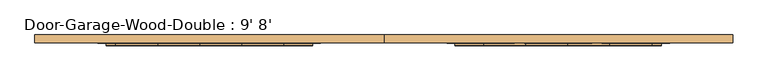
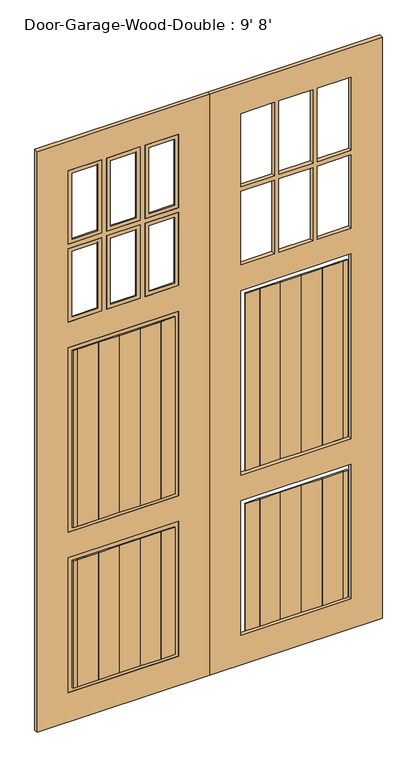
"""IFC4 building model written with IfcOpenShell, lengths in millimetres: door geometry, Door-Garage-Wood-Double : 9' 8'."""

from ifc_helpers import new_model, si_unit, frame, origin, place, context, project, spatial, polyline, ellipse_curve, outline, extrude, source, transform, mapped, element, save
from ifc_brep_helpers import plane_surface, cylinder_surface, advanced_brep


def door_garage_wood_double_9_8_e541127f(model_context):
    return source(origin(), model_context, "Body", "SolidModel", [
        extrude(outline(polyline([(2438.4, -685.8), (0.0, -685.8), (0.0, 0.0), (2438.4, 0.0), (2438.4, -685.8)]), holes=[polyline([(123.825, -123.825), (123.825, -561.975), (688.975, -561.975), (688.975, -123.825), (123.825, -123.825)]), polyline([(796.925, -123.825), (796.925, -561.975), (1571.625, -561.975), (1571.625, -123.825), (796.925, -123.825)]), polyline([(1987.55, -257.175), (1987.55, -123.825), (1679.575, -123.825), (1679.575, -257.175), (1987.55, -257.175)]), polyline([(2006.6, -257.175), (2314.575, -257.175), (2314.575, -123.825), (2006.6, -123.825), (2006.6, -257.175)]), polyline([(2006.6, -409.575), (2314.575, -409.575), (2314.575, -276.225), (2006.6, -276.225), (2006.6, -409.575)]), polyline([(1987.55, -409.575), (1987.55, -276.225), (1679.575, -276.225), (1679.575, -409.575), (1987.55, -409.575)]), polyline([(1987.55, -561.975), (1987.55, -428.625), (1679.575, -428.625), (1679.575, -561.975), (1987.55, -561.975)]), polyline([(2006.6, -561.975), (2314.575, -561.975), (2314.575, -428.625), (2006.6, -428.625), (2006.6, -561.975)])]), frame((0.0, -135.73125, 0.0), z_axis=(0.0, 1.0, 0.0), x_axis=(0.0, 0.0, 1.0)), (0.0, 0.0, 1.0), 15.875),
        extrude(outline(polyline([(-527.05, -135.73125), (-444.5, -135.73125), (-444.5, -140.49375), (-527.05, -140.49375), (-527.05, -135.73125)])), frame((0.0, 0.0, 812.8), z_axis=(0.0, 0.0, 1.0), x_axis=(1.0, 0.0, 0.0)), (0.0, 0.0, 1.0), 742.95),
        extrude(outline(polyline([(-527.05, -135.73125), (-444.5, -135.73125), (-444.5, -140.49375), (-527.05, -140.49375), (-527.05, -135.73125)])), frame((0.0, 0.0, 139.7), z_axis=(0.0, 0.0, 1.0), x_axis=(1.0, 0.0, 0.0)), (0.0, 0.0, 1.0), 533.4),
        extrude(outline(polyline([(-444.5, -135.73125), (-361.95, -135.73125), (-361.95, -140.49375), (-444.5, -140.49375), (-444.5, -135.73125)])), frame((0.0, 0.0, 812.8), z_axis=(0.0, 0.0, 1.0), x_axis=(1.0, 0.0, 0.0)), (0.0, 0.0, 1.0), 742.95),
        extrude(outline(polyline([(-444.5, -135.73125), (-361.95, -135.73125), (-361.95, -140.49375), (-444.5, -140.49375), (-444.5, -135.73125)])), frame((0.0, 0.0, 139.7), z_axis=(0.0, 0.0, 1.0), x_axis=(1.0, 0.0, 0.0)), (0.0, 0.0, 1.0), 533.4),
        extrude(outline(polyline([(-361.95, -135.73125), (-279.4, -135.73125), (-279.4, -140.49375), (-361.95, -140.49375), (-361.95, -135.73125)])), frame((0.0, 0.0, 812.8), z_axis=(0.0, 0.0, 1.0), x_axis=(1.0, 0.0, 0.0)), (0.0, 0.0, 1.0), 742.95),
        extrude(outline(polyline([(-361.95, -135.73125), (-279.4, -135.73125), (-279.4, -140.49375), (-361.95, -140.49375), (-361.95, -135.73125)])), frame((0.0, 0.0, 139.7), z_axis=(0.0, 0.0, 1.0), x_axis=(1.0, 0.0, 0.0)), (0.0, 0.0, 1.0), 533.4),
        extrude(outline(polyline([(-279.4, -135.73125), (-196.85, -135.73125), (-196.85, -140.49375), (-279.4, -140.49375), (-279.4, -135.73125)])), frame((0.0, 0.0, 812.8), z_axis=(0.0, 0.0, 1.0), x_axis=(1.0, 0.0, 0.0)), (0.0, 0.0, 1.0), 742.95),
        extrude(outline(polyline([(-279.4, -135.73125), (-196.85, -135.73125), (-196.85, -140.49375), (-279.4, -140.49375), (-279.4, -135.73125)])), frame((0.0, 0.0, 139.7), z_axis=(0.0, 0.0, 1.0), x_axis=(1.0, 0.0, 0.0)), (0.0, 0.0, 1.0), 533.4),
        extrude(outline(polyline([(-546.1, -135.73125), (-488.95, -135.73125), (-488.95, -140.49375), (-546.1, -140.49375), (-546.1, -135.73125)])), frame((0.0, 0.0, 812.8), z_axis=(0.0, 0.0, 1.0), x_axis=(1.0, 0.0, 0.0)), (0.0, 0.0, 1.0), 742.95),
        extrude(outline(polyline([(-546.1, -135.73125), (-488.95, -135.73125), (-488.95, -140.49375), (-546.1, -140.49375), (-546.1, -135.73125)])), frame((0.0, 0.0, 139.7), z_axis=(0.0, 0.0, 1.0), x_axis=(1.0, 0.0, 0.0)), (0.0, 0.0, 1.0), 533.4),
        extrude(outline(polyline([(-196.85, -135.73125), (-139.7, -135.73125), (-139.7, -140.49375), (-196.85, -140.49375), (-196.85, -135.73125)])), frame((0.0, 0.0, 812.8), z_axis=(0.0, 0.0, 1.0), x_axis=(1.0, 0.0, 0.0)), (0.0, 0.0, 1.0), 742.95),
        extrude(outline(polyline([(-196.85, -135.73125), (-139.7, -135.73125), (-139.7, -140.49375), (-196.85, -140.49375), (-196.85, -135.73125)])), frame((0.0, 0.0, 139.7), z_axis=(0.0, 0.0, 1.0), x_axis=(1.0, 0.0, 0.0)), (0.0, 0.0, 1.0), 533.4),
        advanced_brep(
        [(-561.975, -135.73125, 2314.575), (-561.975, -119.85625, 2314.575), (-561.975, -119.85625, 2006.6), (-561.975, -135.73125, 2006.6), (-558.8, -123.03125, 2311.4), (-546.1, -135.73125, 2298.7), (-546.1, -135.73125, 2022.475), (-558.8, -123.03125, 2009.775), (-558.8, -119.85625, 2009.775), (-558.8, -119.85625, 2311.4), (-428.625, -119.85625, 2006.6), (-428.625, -135.73125, 2006.6), (-444.5, -135.73125, 2022.475), (-431.8, -123.03125, 2009.775), (-431.8, -119.85625, 2009.775), (-428.625, -119.85625, 2314.575), (-428.625, -135.73125, 2314.575), (-444.5, -135.73125, 2298.7), (-431.8, -123.03125, 2311.4), (-431.8, -119.85625, 2311.4)],
        [
            (0, 1),
            (1, 2),
            (2, 3),
            (3, 0),
            (4, 5, ellipse_curve(frame((-558.8, -135.73125, 2311.4), z_axis=(-0.7071067811865475, 0.0, -0.7071067811865475), x_axis=(-0.7071067811865474, 0.0, 0.7071067811865476)), 17.9605122, 12.7)),
            (5, 6),
            (6, 7, ellipse_curve(frame((-558.8, -135.73125, 2009.775), z_axis=(-0.7071067811865475, 0.0, 0.7071067811865475), x_axis=(0.7071067811865474, 0.0, 0.7071067811865476)), 17.9605122, 12.7)),
            (7, 4),
            (7, 8),
            (8, 9),
            (9, 4),
            (2, 10),
            (10, 11),
            (11, 3),
            (6, 12),
            (12, 13, ellipse_curve(frame((-431.8, -135.73125, 2009.775), z_axis=(-0.7071067811865475, 0.0, -0.7071067811865475), x_axis=(-0.7071067811865476, 0.0, 0.7071067811865474)), 17.9605122, 12.7)),
            (13, 7),
            (13, 14),
            (14, 8),
            (10, 15),
            (15, 16),
            (16, 11),
            (12, 17),
            (17, 18, ellipse_curve(frame((-431.8, -135.73125, 2311.4), z_axis=(0.7071067811865475, 0.0, -0.7071067811865475), x_axis=(-0.7071067811865474, 0.0, -0.7071067811865476)), 17.9605122, 12.7)),
            (18, 13),
            (18, 19),
            (19, 14),
            (0, 16),
            (15, 1),
            (5, 17),
            (4, 18),
            (9, 19),
        ],
        [
            plane_surface(frame((-561.975, -119.85625, 2314.575), z_axis=(-1.0, 0.0, 0.0), x_axis=(0.0, 0.0, -1.0))),
            cylinder_surface(frame((-558.8, -135.73125, 2314.575), z_axis=(0.0, 0.0, 1.0), x_axis=(-1.0, 0.0, 0.0)), 12.7),
            plane_surface(frame((-558.8, -123.03125, 2311.4), z_axis=(1.0, 0.0, 0.0), x_axis=(0.0, 0.0, -1.0))),
            plane_surface(frame((-561.975, -119.85625, 2006.6), z_axis=(0.0, 0.0, -1.0), x_axis=(1.0, 0.0, 0.0))),
            cylinder_surface(frame((-561.975, -135.73125, 2009.775), z_axis=(-1.0, 0.0, 0.0), x_axis=(0.0, 0.0, -1.0)), 12.7),
            plane_surface(frame((-558.8, -123.03125, 2009.775), z_axis=(0.0, 0.0, 1.0), x_axis=(1.0, 0.0, 0.0))),
            plane_surface(frame((-428.625, -119.85625, 2006.6), z_axis=(1.0, 0.0, 0.0), x_axis=(0.0, 0.0, 1.0))),
            cylinder_surface(frame((-431.8, -135.73125, 2006.6), z_axis=(0.0, 0.0, -1.0), x_axis=(1.0, 0.0, 0.0)), 12.7),
            plane_surface(frame((-431.8, -123.03125, 2009.775), z_axis=(-1.0, 0.0, 0.0), x_axis=(0.0, 0.0, 1.0))),
            plane_surface(frame((-428.625, -119.85625, 2314.575), z_axis=(0.0, 0.0, 1.0), x_axis=(-1.0, 0.0, 0.0))),
            plane_surface(frame((-428.625, -135.73125, 2314.575), z_axis=(0.0, -1.0, 0.0), x_axis=(-1.0, 0.0, 0.0))),
            cylinder_surface(frame((-428.625, -135.73125, 2311.4), z_axis=(1.0, 0.0, 0.0), x_axis=(0.0, 0.0, 1.0)), 12.7),
            plane_surface(frame((-431.8, -123.03125, 2311.4), z_axis=(0.0, 0.0, -1.0), x_axis=(-1.0, 0.0, 0.0))),
            plane_surface(frame((-431.8, -119.85625, 2311.4), z_axis=(0.0, 1.0, 0.0), x_axis=(-1.0, 0.0, 0.0))),
        ],
        [
            (0, [[1, 2, 3, 4]]),
            (1, [[5, 6, 7, 8]]),
            (2, [[-8, 9, 10, 11]]),
            (3, [[-3, 12, 13, 14]]),
            (4, [[-7, 15, 16, 17]]),
            (5, [[-9, -17, 18, 19]]),
            (6, [[-13, 20, 21, 22]]),
            (7, [[-16, 23, 24, 25]]),
            (8, [[-18, -25, 26, 27]]),
            (9, [[-1, 28, -21, 29]]),
            (10, [[-4, -14, -22, -28], [-6, 30, -23, -15]]),
            (11, [[-5, 31, -24, -30]]),
            (12, [[-11, 32, -26, -31]]),
            (13, [[-2, -29, -20, -12], [-10, -19, -27, -32]]),
        ],
    ),
        advanced_brep(
        [(-409.575, -135.73125, 1987.55), (-409.575, -119.85625, 1987.55), (-409.575, -119.85625, 1679.575), (-409.575, -135.73125, 1679.575), (-406.4, -123.03125, 1984.375), (-393.7, -135.73125, 1971.675), (-393.7, -135.73125, 1695.45), (-406.4, -123.03125, 1682.75), (-406.4, -119.85625, 1682.75), (-406.4, -119.85625, 1984.375), (-276.225, -119.85625, 1679.575), (-276.225, -135.73125, 1679.575), (-292.1, -135.73125, 1695.45), (-279.4, -123.03125, 1682.75), (-279.4, -119.85625, 1682.75), (-276.225, -119.85625, 1987.55), (-276.225, -135.73125, 1987.55), (-292.1, -135.73125, 1971.675), (-279.4, -123.03125, 1984.375), (-279.4, -119.85625, 1984.375)],
        [
            (0, 1),
            (1, 2),
            (2, 3),
            (3, 0),
            (4, 5, ellipse_curve(frame((-406.4, -135.73125, 1984.375), z_axis=(-0.7071067811865475, 0.0, -0.7071067811865475), x_axis=(-0.7071067811865474, 0.0, 0.7071067811865476)), 17.9605122, 12.7)),
            (5, 6),
            (6, 7, ellipse_curve(frame((-406.4, -135.73125, 1682.75), z_axis=(-0.7071067811865475, 0.0, 0.7071067811865475), x_axis=(0.7071067811865474, 0.0, 0.7071067811865476)), 17.9605122, 12.7)),
            (7, 4),
            (7, 8),
            (8, 9),
            (9, 4),
            (2, 10),
            (10, 11),
            (11, 3),
            (6, 12),
            (12, 13, ellipse_curve(frame((-279.4, -135.73125, 1682.75), z_axis=(-0.7071067811865475, 0.0, -0.7071067811865475), x_axis=(-0.7071067811865476, 0.0, 0.7071067811865474)), 17.9605122, 12.7)),
            (13, 7),
            (13, 14),
            (14, 8),
            (10, 15),
            (15, 16),
            (16, 11),
            (12, 17),
            (17, 18, ellipse_curve(frame((-279.4, -135.73125, 1984.375), z_axis=(0.7071067811865475, 0.0, -0.7071067811865475), x_axis=(-0.7071067811865474, 0.0, -0.7071067811865476)), 17.9605122, 12.7)),
            (18, 13),
            (18, 19),
            (19, 14),
            (0, 16),
            (15, 1),
            (5, 17),
            (4, 18),
            (9, 19),
        ],
        [
            plane_surface(frame((-409.575, -119.85625, 1987.55), z_axis=(-1.0, 0.0, 0.0), x_axis=(0.0, 0.0, -1.0))),
            cylinder_surface(frame((-406.4, -135.73125, 1987.55), z_axis=(0.0, 0.0, 1.0), x_axis=(-1.0, 0.0, 0.0)), 12.7),
            plane_surface(frame((-406.4, -123.03125, 1984.375), z_axis=(1.0, 0.0, 0.0), x_axis=(0.0, 0.0, -1.0))),
            plane_surface(frame((-409.575, -119.85625, 1679.575), z_axis=(0.0, 0.0, -1.0), x_axis=(1.0, 0.0, 0.0))),
            cylinder_surface(frame((-409.575, -135.73125, 1682.75), z_axis=(-1.0, 0.0, 0.0), x_axis=(0.0, 0.0, -1.0)), 12.7),
            plane_surface(frame((-406.4, -123.03125, 1682.75), z_axis=(0.0, 0.0, 1.0), x_axis=(1.0, 0.0, 0.0))),
            plane_surface(frame((-276.225, -119.85625, 1679.575), z_axis=(1.0, 0.0, 0.0), x_axis=(0.0, 0.0, 1.0))),
            cylinder_surface(frame((-279.4, -135.73125, 1679.575), z_axis=(0.0, 0.0, -1.0), x_axis=(1.0, 0.0, 0.0)), 12.7),
            plane_surface(frame((-279.4, -123.03125, 1682.75), z_axis=(-1.0, 0.0, 0.0), x_axis=(0.0, 0.0, 1.0))),
            plane_surface(frame((-276.225, -119.85625, 1987.55), z_axis=(0.0, 0.0, 1.0), x_axis=(-1.0, 0.0, 0.0))),
            plane_surface(frame((-276.225, -135.73125, 1987.55), z_axis=(0.0, -1.0, 0.0), x_axis=(-1.0, 0.0, 0.0))),
            cylinder_surface(frame((-276.225, -135.73125, 1984.375), z_axis=(1.0, 0.0, 0.0), x_axis=(0.0, 0.0, 1.0)), 12.7),
            plane_surface(frame((-279.4, -123.03125, 1984.375), z_axis=(0.0, 0.0, -1.0), x_axis=(-1.0, 0.0, 0.0))),
            plane_surface(frame((-279.4, -119.85625, 1984.375), z_axis=(0.0, 1.0, 0.0), x_axis=(-1.0, 0.0, 0.0))),
        ],
        [
            (0, [[1, 2, 3, 4]]),
            (1, [[5, 6, 7, 8]]),
            (2, [[-8, 9, 10, 11]]),
            (3, [[-3, 12, 13, 14]]),
            (4, [[-7, 15, 16, 17]]),
            (5, [[-9, -17, 18, 19]]),
            (6, [[-13, 20, 21, 22]]),
            (7, [[-16, 23, 24, 25]]),
            (8, [[-18, -25, 26, 27]]),
            (9, [[-1, 28, -21, 29]]),
            (10, [[-4, -14, -22, -28], [-6, 30, -23, -15]]),
            (11, [[-5, 31, -24, -30]]),
            (12, [[-11, 32, -26, -31]]),
            (13, [[-2, -29, -20, -12], [-10, -19, -27, -32]]),
        ],
    ),
        advanced_brep(
        [(-561.975, -135.73125, 1987.55), (-561.975, -119.85625, 1987.55), (-561.975, -119.85625, 1679.575), (-561.975, -135.73125, 1679.575), (-558.8, -123.03125, 1984.375), (-546.1, -135.73125, 1971.675), (-546.1, -135.73125, 1695.45), (-558.8, -123.03125, 1682.75), (-558.8, -119.85625, 1682.75), (-558.8, -119.85625, 1984.375), (-428.625, -119.85625, 1679.575), (-428.625, -135.73125, 1679.575), (-444.5, -135.73125, 1695.45), (-431.8, -123.03125, 1682.75), (-431.8, -119.85625, 1682.75), (-428.625, -119.85625, 1987.55), (-428.625, -135.73125, 1987.55), (-444.5, -135.73125, 1971.675), (-431.8, -123.03125, 1984.375), (-431.8, -119.85625, 1984.375)],
        [
            (0, 1),
            (1, 2),
            (2, 3),
            (3, 0),
            (4, 5, ellipse_curve(frame((-558.8, -135.73125, 1984.375), z_axis=(-0.7071067811865475, 0.0, -0.7071067811865475), x_axis=(-0.7071067811865474, 0.0, 0.7071067811865476)), 17.9605122, 12.7)),
            (5, 6),
            (6, 7, ellipse_curve(frame((-558.8, -135.73125, 1682.75), z_axis=(-0.7071067811865475, 0.0, 0.7071067811865475), x_axis=(0.7071067811865474, 0.0, 0.7071067811865476)), 17.9605122, 12.7)),
            (7, 4),
            (7, 8),
            (8, 9),
            (9, 4),
            (2, 10),
            (10, 11),
            (11, 3),
            (6, 12),
            (12, 13, ellipse_curve(frame((-431.8, -135.73125, 1682.75), z_axis=(-0.7071067811865475, 0.0, -0.7071067811865475), x_axis=(-0.7071067811865476, 0.0, 0.7071067811865474)), 17.9605122, 12.7)),
            (13, 7),
            (13, 14),
            (14, 8),
            (10, 15),
            (15, 16),
            (16, 11),
            (12, 17),
            (17, 18, ellipse_curve(frame((-431.8, -135.73125, 1984.375), z_axis=(0.7071067811865475, 0.0, -0.7071067811865475), x_axis=(-0.7071067811865474, 0.0, -0.7071067811865476)), 17.9605122, 12.7)),
            (18, 13),
            (18, 19),
            (19, 14),
            (0, 16),
            (15, 1),
            (5, 17),
            (4, 18),
            (9, 19),
        ],
        [
            plane_surface(frame((-561.975, -119.85625, 1987.55), z_axis=(-1.0, 0.0, 0.0), x_axis=(0.0, 0.0, -1.0))),
            cylinder_surface(frame((-558.8, -135.73125, 1987.55), z_axis=(0.0, 0.0, 1.0), x_axis=(-1.0, 0.0, 0.0)), 12.7),
            plane_surface(frame((-558.8, -123.03125, 1984.375), z_axis=(1.0, 0.0, 0.0), x_axis=(0.0, 0.0, -1.0))),
            plane_surface(frame((-561.975, -119.85625, 1679.575), z_axis=(0.0, 0.0, -1.0), x_axis=(1.0, 0.0, 0.0))),
            cylinder_surface(frame((-561.975, -135.73125, 1682.75), z_axis=(-1.0, 0.0, 0.0), x_axis=(0.0, 0.0, -1.0)), 12.7),
            plane_surface(frame((-558.8, -123.03125, 1682.75), z_axis=(0.0, 0.0, 1.0), x_axis=(1.0, 0.0, 0.0))),
            plane_surface(frame((-428.625, -119.85625, 1679.575), z_axis=(1.0, 0.0, 0.0), x_axis=(0.0, 0.0, 1.0))),
            cylinder_surface(frame((-431.8, -135.73125, 1679.575), z_axis=(0.0, 0.0, -1.0), x_axis=(1.0, 0.0, 0.0)), 12.7),
            plane_surface(frame((-431.8, -123.03125, 1682.75), z_axis=(-1.0, 0.0, 0.0), x_axis=(0.0, 0.0, 1.0))),
            plane_surface(frame((-428.625, -119.85625, 1987.55), z_axis=(0.0, 0.0, 1.0), x_axis=(-1.0, 0.0, 0.0))),
            plane_surface(frame((-428.625, -135.73125, 1987.55), z_axis=(0.0, -1.0, 0.0), x_axis=(-1.0, 0.0, 0.0))),
            cylinder_surface(frame((-428.625, -135.73125, 1984.375), z_axis=(1.0, 0.0, 0.0), x_axis=(0.0, 0.0, 1.0)), 12.7),
            plane_surface(frame((-431.8, -123.03125, 1984.375), z_axis=(0.0, 0.0, -1.0), x_axis=(-1.0, 0.0, 0.0))),
            plane_surface(frame((-431.8, -119.85625, 1984.375), z_axis=(0.0, 1.0, 0.0), x_axis=(-1.0, 0.0, 0.0))),
        ],
        [
            (0, [[1, 2, 3, 4]]),
            (1, [[5, 6, 7, 8]]),
            (2, [[-8, 9, 10, 11]]),
            (3, [[-3, 12, 13, 14]]),
            (4, [[-7, 15, 16, 17]]),
            (5, [[-9, -17, 18, 19]]),
            (6, [[-13, 20, 21, 22]]),
            (7, [[-16, 23, 24, 25]]),
            (8, [[-18, -25, 26, 27]]),
            (9, [[-1, 28, -21, 29]]),
            (10, [[-4, -14, -22, -28], [-6, 30, -23, -15]]),
            (11, [[-5, 31, -24, -30]]),
            (12, [[-11, 32, -26, -31]]),
            (13, [[-2, -29, -20, -12], [-10, -19, -27, -32]]),
        ],
    ),
        advanced_brep(
        [(-409.575, -135.73125, 2314.575), (-409.575, -119.85625, 2314.575), (-409.575, -119.85625, 2006.6), (-409.575, -135.73125, 2006.6), (-406.4, -123.03125, 2311.4), (-393.7, -135.73125, 2298.7), (-393.7, -135.73125, 2022.475), (-406.4, -123.03125, 2009.775), (-406.4, -119.85625, 2311.4), (-406.4, -119.85625, 2009.775), (-276.225, -119.85625, 2006.6), (-276.225, -135.73125, 2006.6), (-292.1, -135.73125, 2022.475), (-279.4, -123.03125, 2009.775), (-279.4, -119.85625, 2009.775), (-276.225, -119.85625, 2314.575), (-276.225, -135.73125, 2314.575), (-292.1, -135.73125, 2298.7), (-279.4, -123.03125, 2311.4), (-279.4, -119.85625, 2311.4)],
        [
            (0, 1),
            (1, 2),
            (2, 3),
            (3, 0),
            (4, 5, ellipse_curve(frame((-406.4, -135.73125, 2311.4), z_axis=(-0.7071067811865475, 0.0, -0.7071067811865475), x_axis=(-0.7071067811865474, 0.0, 0.7071067811865476)), 17.9605122, 12.7)),
            (5, 6),
            (6, 7, ellipse_curve(frame((-406.4, -135.73125, 2009.775), z_axis=(-0.7071067811865475, 0.0, 0.7071067811865475), x_axis=(0.7071067811865474, 0.0, 0.7071067811865476)), 17.9605122, 12.7)),
            (7, 4),
            (8, 4),
            (7, 9),
            (9, 8),
            (2, 10),
            (10, 11),
            (11, 3),
            (6, 12),
            (12, 13, ellipse_curve(frame((-279.4, -135.73125, 2009.775), z_axis=(-0.7071067811865475, 0.0, -0.7071067811865475), x_axis=(-0.7071067811865476, 0.0, 0.7071067811865474)), 17.9605122, 12.7)),
            (13, 7),
            (13, 14),
            (14, 9),
            (10, 15),
            (15, 16),
            (16, 11),
            (12, 17),
            (17, 18, ellipse_curve(frame((-279.4, -135.73125, 2311.4), z_axis=(0.7071067811865475, 0.0, -0.7071067811865475), x_axis=(-0.7071067811865474, 0.0, -0.7071067811865476)), 17.9605122, 12.7)),
            (18, 13),
            (18, 19),
            (19, 14),
            (15, 1),
            (0, 16),
            (5, 17),
            (4, 18),
            (8, 19),
        ],
        [
            plane_surface(frame((-409.575, -119.85625, 2314.575), z_axis=(-1.0, 0.0, 0.0), x_axis=(0.0, 0.0, -1.0))),
            cylinder_surface(frame((-406.4, -135.73125, 2314.575), z_axis=(0.0, 0.0, 1.0), x_axis=(-1.0, 0.0, 0.0)), 12.7),
            plane_surface(frame((-406.4, -123.03125, 2311.4), z_axis=(1.0, 0.0, 0.0), x_axis=(0.0, 0.0, -1.0))),
            plane_surface(frame((-409.575, -119.85625, 2006.6), z_axis=(0.0, 0.0, -1.0), x_axis=(1.0, 0.0, 0.0))),
            cylinder_surface(frame((-409.575, -135.73125, 2009.775), z_axis=(-1.0, 0.0, 0.0), x_axis=(0.0, 0.0, -1.0)), 12.7),
            plane_surface(frame((-406.4, -123.03125, 2009.775), z_axis=(0.0, 0.0, 1.0), x_axis=(1.0, 0.0, 0.0))),
            plane_surface(frame((-276.225, -119.85625, 2006.6), z_axis=(1.0, 0.0, 0.0), x_axis=(0.0, 0.0, 1.0))),
            cylinder_surface(frame((-279.4, -135.73125, 2006.6), z_axis=(0.0, 0.0, -1.0), x_axis=(1.0, 0.0, 0.0)), 12.7),
            plane_surface(frame((-279.4, -123.03125, 2009.775), z_axis=(-1.0, 0.0, 0.0), x_axis=(0.0, 0.0, 1.0))),
            plane_surface(frame((-276.225, -119.85625, 2314.575), z_axis=(0.0, 0.0, 1.0), x_axis=(-1.0, 0.0, 0.0))),
            plane_surface(frame((-276.225, -135.73125, 2314.575), z_axis=(0.0, -1.0, 0.0), x_axis=(-1.0, 0.0, 0.0))),
            cylinder_surface(frame((-276.225, -135.73125, 2311.4), z_axis=(1.0, 0.0, 0.0), x_axis=(0.0, 0.0, 1.0)), 12.7),
            plane_surface(frame((-279.4, -123.03125, 2311.4), z_axis=(0.0, 0.0, -1.0), x_axis=(-1.0, 0.0, 0.0))),
            plane_surface(frame((-279.4, -119.85625, 2311.4), z_axis=(0.0, 1.0, 0.0), x_axis=(-1.0, 0.0, 0.0))),
        ],
        [
            (0, [[1, 2, 3, 4]]),
            (1, [[5, 6, 7, 8]]),
            (2, [[9, -8, 10, 11]]),
            (3, [[-3, 12, 13, 14]]),
            (4, [[-7, 15, 16, 17]]),
            (5, [[-10, -17, 18, 19]]),
            (6, [[-13, 20, 21, 22]]),
            (7, [[-16, 23, 24, 25]]),
            (8, [[-18, -25, 26, 27]]),
            (9, [[-21, 28, -1, 29]]),
            (10, [[-14, -22, -29, -4], [30, -23, -15, -6]]),
            (11, [[-24, -30, -5, 31]]),
            (12, [[-26, -31, -9, 32]]),
            (13, [[-28, -20, -12, -2], [-19, -27, -32, -11]]),
        ],
    ),
        advanced_brep(
        [(-257.175, -135.73125, 2314.575), (-257.175, -119.85625, 2314.575), (-257.175, -119.85625, 2006.6), (-257.175, -135.73125, 2006.6), (-254.0, -123.03125, 2311.4), (-241.3, -135.73125, 2298.7), (-241.3, -135.73125, 2022.475), (-254.0, -123.03125, 2009.775), (-254.0, -119.85625, 2311.4), (-254.0, -119.85625, 2009.775), (-123.825, -119.85625, 2006.6), (-123.825, -135.73125, 2006.6), (-139.7, -135.73125, 2022.475), (-127.0, -123.03125, 2009.775), (-127.0, -119.85625, 2009.775), (-123.825, -119.85625, 2314.575), (-123.825, -135.73125, 2314.575), (-139.7, -135.73125, 2298.7), (-127.0, -123.03125, 2311.4), (-127.0, -119.85625, 2311.4)],
        [
            (0, 1),
            (1, 2),
            (2, 3),
            (3, 0),
            (4, 5, ellipse_curve(frame((-254.0, -135.73125, 2311.4), z_axis=(-0.7071067811865475, 0.0, -0.7071067811865475), x_axis=(-0.7071067811865474, 0.0, 0.7071067811865476)), 17.9605122, 12.7)),
            (5, 6),
            (6, 7, ellipse_curve(frame((-254.0, -135.73125, 2009.775), z_axis=(-0.7071067811865475, 0.0, 0.7071067811865475), x_axis=(0.7071067811865474, 0.0, 0.7071067811865476)), 17.9605122, 12.7)),
            (7, 4),
            (8, 4),
            (7, 9),
            (9, 8),
            (2, 10),
            (10, 11),
            (11, 3),
            (6, 12),
            (12, 13, ellipse_curve(frame((-127.0, -135.73125, 2009.775), z_axis=(-0.7071067811865475, 0.0, -0.7071067811865475), x_axis=(-0.7071067811865476, 0.0, 0.7071067811865474)), 17.9605122, 12.7)),
            (13, 7),
            (13, 14),
            (14, 9),
            (10, 15),
            (15, 16),
            (16, 11),
            (12, 17),
            (17, 18, ellipse_curve(frame((-127.0, -135.73125, 2311.4), z_axis=(0.7071067811865475, 0.0, -0.7071067811865475), x_axis=(-0.7071067811865474, 0.0, -0.7071067811865476)), 17.9605122, 12.7)),
            (18, 13),
            (18, 19),
            (19, 14),
            (15, 1),
            (0, 16),
            (5, 17),
            (4, 18),
            (8, 19),
        ],
        [
            plane_surface(frame((-257.175, -119.85625, 2314.575), z_axis=(-1.0, 0.0, 0.0), x_axis=(0.0, 0.0, -1.0))),
            cylinder_surface(frame((-254.0, -135.73125, 2314.575), z_axis=(0.0, 0.0, 1.0), x_axis=(-1.0, 0.0, 0.0)), 12.7),
            plane_surface(frame((-254.0, -123.03125, 2311.4), z_axis=(1.0, 0.0, 0.0), x_axis=(0.0, 0.0, -1.0))),
            plane_surface(frame((-257.175, -119.85625, 2006.6), z_axis=(0.0, 0.0, -1.0), x_axis=(1.0, 0.0, 0.0))),
            cylinder_surface(frame((-257.175, -135.73125, 2009.775), z_axis=(-1.0, 0.0, 0.0), x_axis=(0.0, 0.0, -1.0)), 12.7),
            plane_surface(frame((-254.0, -123.03125, 2009.775), z_axis=(0.0, 0.0, 1.0), x_axis=(1.0, 0.0, 0.0))),
            plane_surface(frame((-123.825, -119.85625, 2006.6), z_axis=(1.0, 0.0, 0.0), x_axis=(0.0, 0.0, 1.0))),
            cylinder_surface(frame((-127.0, -135.73125, 2006.6), z_axis=(0.0, 0.0, -1.0), x_axis=(1.0, 0.0, 0.0)), 12.7),
            plane_surface(frame((-127.0, -123.03125, 2009.775), z_axis=(-1.0, 0.0, 0.0), x_axis=(0.0, 0.0, 1.0))),
            plane_surface(frame((-123.825, -119.85625, 2314.575), z_axis=(0.0, 0.0, 1.0), x_axis=(-1.0, 0.0, 0.0))),
            plane_surface(frame((-123.825, -135.73125, 2314.575), z_axis=(0.0, -1.0, 0.0), x_axis=(-1.0, 0.0, 0.0))),
            cylinder_surface(frame((-123.825, -135.73125, 2311.4), z_axis=(1.0, 0.0, 0.0), x_axis=(0.0, 0.0, 1.0)), 12.7),
            plane_surface(frame((-127.0, -123.03125, 2311.4), z_axis=(0.0, 0.0, -1.0), x_axis=(-1.0, 0.0, 0.0))),
            plane_surface(frame((-127.0, -119.85625, 2311.4), z_axis=(0.0, 1.0, 0.0), x_axis=(-1.0, 0.0, 0.0))),
        ],
        [
            (0, [[1, 2, 3, 4]]),
            (1, [[5, 6, 7, 8]]),
            (2, [[9, -8, 10, 11]]),
            (3, [[-3, 12, 13, 14]]),
            (4, [[-7, 15, 16, 17]]),
            (5, [[-10, -17, 18, 19]]),
            (6, [[-13, 20, 21, 22]]),
            (7, [[-16, 23, 24, 25]]),
            (8, [[-18, -25, 26, 27]]),
            (9, [[-21, 28, -1, 29]]),
            (10, [[-14, -22, -29, -4], [30, -23, -15, -6]]),
            (11, [[-24, -30, -5, 31]]),
            (12, [[-26, -31, -9, 32]]),
            (13, [[-28, -20, -12, -2], [-19, -27, -32, -11]]),
        ],
    ),
        advanced_brep(
        [(-561.975, -135.73125, 1571.625), (-561.975, -119.85625, 1571.625), (-561.975, -119.85625, 796.925), (-561.975, -135.73125, 796.925), (-558.8, -123.03125, 1568.45), (-546.1, -135.73125, 1555.75), (-546.1, -135.73125, 812.8), (-558.8, -123.03125, 800.1), (-558.8, -119.85625, 1568.45), (-558.8, -119.85625, 800.1), (-123.825, -119.85625, 796.925), (-123.825, -135.73125, 796.925), (-139.7, -135.73125, 812.8), (-127.0, -123.03125, 800.1), (-127.0, -119.85625, 800.1), (-123.825, -119.85625, 1571.625), (-123.825, -135.73125, 1571.625), (-139.7, -135.73125, 1555.75), (-127.0, -123.03125, 1568.45), (-127.0, -119.85625, 1568.45)],
        [
            (0, 1),
            (1, 2),
            (2, 3),
            (3, 0),
            (4, 5, ellipse_curve(frame((-558.8, -135.73125, 1568.45), z_axis=(-0.7071067811865475, 0.0, -0.7071067811865475), x_axis=(-0.7071067811865474, 0.0, 0.7071067811865476)), 17.9605122, 12.7)),
            (5, 6),
            (6, 7, ellipse_curve(frame((-558.8, -135.73125, 800.1), z_axis=(-0.7071067811865475, 0.0, 0.7071067811865475), x_axis=(0.7071067811865474, 0.0, 0.7071067811865476)), 17.9605122, 12.7)),
            (7, 4),
            (8, 4),
            (7, 9),
            (9, 8),
            (2, 10),
            (10, 11),
            (11, 3),
            (6, 12),
            (12, 13, ellipse_curve(frame((-127.0, -135.73125, 800.1), z_axis=(-0.7071067811865475, 0.0, -0.7071067811865475), x_axis=(-0.7071067811865476, 0.0, 0.7071067811865474)), 17.9605122, 12.7)),
            (13, 7),
            (13, 14),
            (14, 9),
            (10, 15),
            (15, 16),
            (16, 11),
            (12, 17),
            (17, 18, ellipse_curve(frame((-127.0, -135.73125, 1568.45), z_axis=(0.7071067811865475, 0.0, -0.7071067811865475), x_axis=(-0.7071067811865474, 0.0, -0.7071067811865476)), 17.9605122, 12.7)),
            (18, 13),
            (18, 19),
            (19, 14),
            (15, 1),
            (0, 16),
            (5, 17),
            (4, 18),
            (8, 19),
        ],
        [
            plane_surface(frame((-561.975, -119.85625, 1571.625), z_axis=(-1.0, 0.0, 0.0), x_axis=(0.0, 0.0, -1.0))),
            cylinder_surface(frame((-558.8, -135.73125, 1571.625), z_axis=(0.0, 0.0, 1.0), x_axis=(-1.0, 0.0, 0.0)), 12.7),
            plane_surface(frame((-558.8, -123.03125, 1568.45), z_axis=(1.0, 0.0, 0.0), x_axis=(0.0, 0.0, -1.0))),
            plane_surface(frame((-561.975, -119.85625, 796.925), z_axis=(0.0, 0.0, -1.0), x_axis=(1.0, 0.0, 0.0))),
            cylinder_surface(frame((-561.975, -135.73125, 800.1), z_axis=(-1.0, 0.0, 0.0), x_axis=(0.0, 0.0, -1.0)), 12.7),
            plane_surface(frame((-558.8, -123.03125, 800.1), z_axis=(0.0, 0.0, 1.0), x_axis=(1.0, 0.0, 0.0))),
            plane_surface(frame((-123.825, -119.85625, 796.925), z_axis=(1.0, 0.0, 0.0), x_axis=(0.0, 0.0, 1.0))),
            cylinder_surface(frame((-127.0, -135.73125, 796.925), z_axis=(0.0, 0.0, -1.0), x_axis=(1.0, 0.0, 0.0)), 12.7),
            plane_surface(frame((-127.0, -123.03125, 800.1), z_axis=(-1.0, 0.0, 0.0), x_axis=(0.0, 0.0, 1.0))),
            plane_surface(frame((-123.825, -119.85625, 1571.625), z_axis=(0.0, 0.0, 1.0), x_axis=(-1.0, 0.0, 0.0))),
            plane_surface(frame((-123.825, -135.73125, 1571.625), z_axis=(0.0, -1.0, 0.0), x_axis=(-1.0, 0.0, 0.0))),
            cylinder_surface(frame((-123.825, -135.73125, 1568.45), z_axis=(1.0, 0.0, 0.0), x_axis=(0.0, 0.0, 1.0)), 12.7),
            plane_surface(frame((-127.0, -123.03125, 1568.45), z_axis=(0.0, 0.0, -1.0), x_axis=(-1.0, 0.0, 0.0))),
            plane_surface(frame((-127.0, -119.85625, 1568.45), z_axis=(0.0, 1.0, 0.0), x_axis=(-1.0, 0.0, 0.0))),
        ],
        [
            (0, [[1, 2, 3, 4]]),
            (1, [[5, 6, 7, 8]]),
            (2, [[9, -8, 10, 11]]),
            (3, [[-3, 12, 13, 14]]),
            (4, [[-7, 15, 16, 17]]),
            (5, [[-10, -17, 18, 19]]),
            (6, [[-13, 20, 21, 22]]),
            (7, [[-16, 23, 24, 25]]),
            (8, [[-18, -25, 26, 27]]),
            (9, [[-21, 28, -1, 29]]),
            (10, [[-14, -22, -29, -4], [30, -23, -15, -6]]),
            (11, [[-24, -30, -5, 31]]),
            (12, [[-26, -31, -9, 32]]),
            (13, [[-28, -20, -12, -2], [-19, -27, -32, -11]]),
        ],
    ),
        advanced_brep(
        [(-257.175, -135.73125, 1987.55), (-257.175, -119.85625, 1987.55), (-257.175, -119.85625, 1679.575), (-257.175, -135.73125, 1679.575), (-254.0, -123.03125, 1984.375), (-241.3, -135.73125, 1971.675), (-241.3, -135.73125, 1695.45), (-254.0, -123.03125, 1682.75), (-254.0, -119.85625, 1984.375), (-254.0, -119.85625, 1682.75), (-123.825, -119.85625, 1679.575), (-123.825, -135.73125, 1679.575), (-139.7, -135.73125, 1695.45), (-127.0, -123.03125, 1682.75), (-127.0, -119.85625, 1682.75), (-123.825, -119.85625, 1987.55), (-123.825, -135.73125, 1987.55), (-139.7, -135.73125, 1971.675), (-127.0, -123.03125, 1984.375), (-127.0, -119.85625, 1984.375)],
        [
            (0, 1),
            (1, 2),
            (2, 3),
            (3, 0),
            (4, 5, ellipse_curve(frame((-254.0, -135.73125, 1984.375), z_axis=(-0.7071067811865475, 0.0, -0.7071067811865475), x_axis=(-0.7071067811865474, 0.0, 0.7071067811865476)), 17.9605122, 12.7)),
            (5, 6),
            (6, 7, ellipse_curve(frame((-254.0, -135.73125, 1682.75), z_axis=(-0.7071067811865475, 0.0, 0.7071067811865475), x_axis=(0.7071067811865474, 0.0, 0.7071067811865476)), 17.9605122, 12.7)),
            (7, 4),
            (8, 4),
            (7, 9),
            (9, 8),
            (2, 10),
            (10, 11),
            (11, 3),
            (6, 12),
            (12, 13, ellipse_curve(frame((-127.0, -135.73125, 1682.75), z_axis=(-0.7071067811865475, 0.0, -0.7071067811865475), x_axis=(-0.7071067811865476, 0.0, 0.7071067811865474)), 17.9605122, 12.7)),
            (13, 7),
            (13, 14),
            (14, 9),
            (10, 15),
            (15, 16),
            (16, 11),
            (12, 17),
            (17, 18, ellipse_curve(frame((-127.0, -135.73125, 1984.375), z_axis=(0.7071067811865475, 0.0, -0.7071067811865475), x_axis=(-0.7071067811865474, 0.0, -0.7071067811865476)), 17.9605122, 12.7)),
            (18, 13),
            (18, 19),
            (19, 14),
            (15, 1),
            (0, 16),
            (5, 17),
            (4, 18),
            (8, 19),
        ],
        [
            plane_surface(frame((-257.175, -119.85625, 1987.55), z_axis=(-1.0, 0.0, 0.0), x_axis=(0.0, 0.0, -1.0))),
            cylinder_surface(frame((-254.0, -135.73125, 1987.55), z_axis=(0.0, 0.0, 1.0), x_axis=(-1.0, 0.0, 0.0)), 12.7),
            plane_surface(frame((-254.0, -123.03125, 1984.375), z_axis=(1.0, 0.0, 0.0), x_axis=(0.0, 0.0, -1.0))),
            plane_surface(frame((-257.175, -119.85625, 1679.575), z_axis=(0.0, 0.0, -1.0), x_axis=(1.0, 0.0, 0.0))),
            cylinder_surface(frame((-257.175, -135.73125, 1682.75), z_axis=(-1.0, 0.0, 0.0), x_axis=(0.0, 0.0, -1.0)), 12.7),
            plane_surface(frame((-254.0, -123.03125, 1682.75), z_axis=(0.0, 0.0, 1.0), x_axis=(1.0, 0.0, 0.0))),
            plane_surface(frame((-123.825, -119.85625, 1679.575), z_axis=(1.0, 0.0, 0.0), x_axis=(0.0, 0.0, 1.0))),
            cylinder_surface(frame((-127.0, -135.73125, 1679.575), z_axis=(0.0, 0.0, -1.0), x_axis=(1.0, 0.0, 0.0)), 12.7),
            plane_surface(frame((-127.0, -123.03125, 1682.75), z_axis=(-1.0, 0.0, 0.0), x_axis=(0.0, 0.0, 1.0))),
            plane_surface(frame((-123.825, -119.85625, 1987.55), z_axis=(0.0, 0.0, 1.0), x_axis=(-1.0, 0.0, 0.0))),
            plane_surface(frame((-123.825, -135.73125, 1987.55), z_axis=(0.0, -1.0, 0.0), x_axis=(-1.0, 0.0, 0.0))),
            cylinder_surface(frame((-123.825, -135.73125, 1984.375), z_axis=(1.0, 0.0, 0.0), x_axis=(0.0, 0.0, 1.0)), 12.7),
            plane_surface(frame((-127.0, -123.03125, 1984.375), z_axis=(0.0, 0.0, -1.0), x_axis=(-1.0, 0.0, 0.0))),
            plane_surface(frame((-127.0, -119.85625, 1984.375), z_axis=(0.0, 1.0, 0.0), x_axis=(-1.0, 0.0, 0.0))),
        ],
        [
            (0, [[1, 2, 3, 4]]),
            (1, [[5, 6, 7, 8]]),
            (2, [[9, -8, 10, 11]]),
            (3, [[-3, 12, 13, 14]]),
            (4, [[-7, 15, 16, 17]]),
            (5, [[-10, -17, 18, 19]]),
            (6, [[-13, 20, 21, 22]]),
            (7, [[-16, 23, 24, 25]]),
            (8, [[-18, -25, 26, 27]]),
            (9, [[-21, 28, -1, 29]]),
            (10, [[-14, -22, -29, -4], [30, -23, -15, -6]]),
            (11, [[-24, -30, -5, 31]]),
            (12, [[-26, -31, -9, 32]]),
            (13, [[-28, -20, -12, -2], [-19, -27, -32, -11]]),
        ],
    ),
        advanced_brep(
        [(-561.975, -135.73125, 688.975), (-561.975, -119.85625, 688.975), (-561.975, -119.85625, 123.825), (-561.975, -135.73125, 123.825), (-558.8, -123.03125, 685.8), (-546.1, -135.73125, 673.1), (-546.1, -135.73125, 139.7), (-558.8, -123.03125, 127.0), (-558.8, -119.85625, 685.8), (-558.8, -119.85625, 127.0), (-123.825, -119.85625, 123.825), (-123.825, -135.73125, 123.825), (-139.7, -135.73125, 139.7), (-127.0, -123.03125, 127.0), (-127.0, -119.85625, 127.0), (-123.825, -119.85625, 688.975), (-123.825, -135.73125, 688.975), (-139.7, -135.73125, 673.1), (-127.0, -123.03125, 685.8), (-127.0, -119.85625, 685.8)],
        [
            (0, 1),
            (1, 2),
            (2, 3),
            (3, 0),
            (4, 5, ellipse_curve(frame((-558.8, -135.73125, 685.8), z_axis=(-0.7071067811865475, 0.0, -0.7071067811865475), x_axis=(-0.7071067811865474, 0.0, 0.7071067811865476)), 17.9605122, 12.7)),
            (5, 6),
            (6, 7, ellipse_curve(frame((-558.8, -135.73125, 127.0), z_axis=(-0.7071067811865475, 0.0, 0.7071067811865475), x_axis=(0.7071067811865474, 0.0, 0.7071067811865476)), 17.9605122, 12.7)),
            (7, 4),
            (8, 4),
            (7, 9),
            (9, 8),
            (2, 10),
            (10, 11),
            (11, 3),
            (6, 12),
            (12, 13, ellipse_curve(frame((-127.0, -135.73125, 127.0), z_axis=(-0.7071067811865475, 0.0, -0.7071067811865475), x_axis=(-0.7071067811865476, 0.0, 0.7071067811865474)), 17.9605122, 12.7)),
            (13, 7),
            (13, 14),
            (14, 9),
            (10, 15),
            (15, 16),
            (16, 11),
            (12, 17),
            (17, 18, ellipse_curve(frame((-127.0, -135.73125, 685.8), z_axis=(0.7071067811865475, 0.0, -0.7071067811865475), x_axis=(-0.7071067811865474, 0.0, -0.7071067811865476)), 17.9605122, 12.7)),
            (18, 13),
            (18, 19),
            (19, 14),
            (15, 1),
            (0, 16),
            (5, 17),
            (4, 18),
            (8, 19),
        ],
        [
            plane_surface(frame((-561.975, -119.85625, 688.975), z_axis=(-1.0, 0.0, 0.0), x_axis=(0.0, 0.0, -1.0))),
            cylinder_surface(frame((-558.8, -135.73125, 688.975), z_axis=(0.0, 0.0, 1.0), x_axis=(-1.0, 0.0, 0.0)), 12.7),
            plane_surface(frame((-558.8, -123.03125, 685.8), z_axis=(1.0, 0.0, 0.0), x_axis=(0.0, 0.0, -1.0))),
            plane_surface(frame((-561.975, -119.85625, 123.825), z_axis=(0.0, 0.0, -1.0), x_axis=(1.0, 0.0, 0.0))),
            cylinder_surface(frame((-561.975, -135.73125, 127.0), z_axis=(-1.0, 0.0, 0.0), x_axis=(0.0, 0.0, -1.0)), 12.7),
            plane_surface(frame((-558.8, -123.03125, 127.0), z_axis=(0.0, 0.0, 1.0), x_axis=(1.0, 0.0, 0.0))),
            plane_surface(frame((-123.825, -119.85625, 123.825), z_axis=(1.0, 0.0, 0.0), x_axis=(0.0, 0.0, 1.0))),
            cylinder_surface(frame((-127.0, -135.73125, 123.825), z_axis=(0.0, 0.0, -1.0), x_axis=(1.0, 0.0, 0.0)), 12.7),
            plane_surface(frame((-127.0, -123.03125, 127.0), z_axis=(-1.0, 0.0, 0.0), x_axis=(0.0, 0.0, 1.0))),
            plane_surface(frame((-123.825, -119.85625, 688.975), z_axis=(0.0, 0.0, 1.0), x_axis=(-1.0, 0.0, 0.0))),
            plane_surface(frame((-123.825, -135.73125, 688.975), z_axis=(0.0, -1.0, 0.0), x_axis=(-1.0, 0.0, 0.0))),
            cylinder_surface(frame((-123.825, -135.73125, 685.8), z_axis=(1.0, 0.0, 0.0), x_axis=(0.0, 0.0, 1.0)), 12.7),
            plane_surface(frame((-127.0, -123.03125, 685.8), z_axis=(0.0, 0.0, -1.0), x_axis=(-1.0, 0.0, 0.0))),
            plane_surface(frame((-127.0, -119.85625, 685.8), z_axis=(0.0, 1.0, 0.0), x_axis=(-1.0, 0.0, 0.0))),
        ],
        [
            (0, [[1, 2, 3, 4]]),
            (1, [[5, 6, 7, 8]]),
            (2, [[9, -8, 10, 11]]),
            (3, [[-3, 12, 13, 14]]),
            (4, [[-7, 15, 16, 17]]),
            (5, [[-10, -17, 18, 19]]),
            (6, [[-13, 20, 21, 22]]),
            (7, [[-16, 23, 24, 25]]),
            (8, [[-18, -25, 26, 27]]),
            (9, [[-21, 28, -1, 29]]),
            (10, [[-14, -22, -29, -4], [30, -23, -15, -6]]),
            (11, [[-24, -30, -5, 31]]),
            (12, [[-26, -31, -9, 32]]),
            (13, [[-28, -20, -12, -2], [-19, -27, -32, -11]]),
        ],
    ),
        extrude(outline(polyline([(2438.4, 685.8), (2438.4, 0.0), (0.0, 0.0), (0.0, 685.8), (2438.4, 685.8)]), holes=[polyline([(123.825, 123.825), (688.975, 123.825), (688.975, 561.975), (123.825, 561.975), (123.825, 123.825)]), polyline([(796.925, 123.825), (1571.625, 123.825), (1571.625, 561.975), (796.925, 561.975), (796.925, 123.825)]), polyline([(1987.55, 257.175), (1679.575, 257.175), (1679.575, 123.825), (1987.55, 123.825), (1987.55, 257.175)]), polyline([(2006.6, 257.175), (2006.6, 123.825), (2314.575, 123.825), (2314.575, 257.175), (2006.6, 257.175)]), polyline([(2006.6, 409.575), (2006.6, 276.225), (2314.575, 276.225), (2314.575, 409.575), (2006.6, 409.575)]), polyline([(1987.55, 409.575), (1679.575, 409.575), (1679.575, 276.225), (1987.55, 276.225), (1987.55, 409.575)]), polyline([(1987.55, 561.975), (1679.575, 561.975), (1679.575, 428.625), (1987.55, 428.625), (1987.55, 561.975)]), polyline([(2006.6, 561.975), (2006.6, 428.625), (2314.575, 428.625), (2314.575, 561.975), (2006.6, 561.975)])]), frame((0.0, -135.73125, 0.0), z_axis=(0.0, 1.0, 0.0), x_axis=(0.0, 0.0, 1.0)), (0.0, 0.0, 1.0), 15.875),
        extrude(outline(polyline([(527.05, -135.73125), (527.05, -140.49375), (444.5, -140.49375), (444.5, -135.73125), (527.05, -135.73125)])), frame((0.0, 0.0, 812.8), z_axis=(0.0, 0.0, 1.0), x_axis=(1.0, 0.0, 0.0)), (0.0, 0.0, 1.0), 742.95),
        extrude(outline(polyline([(527.05, -135.73125), (527.05, -140.49375), (444.5, -140.49375), (444.5, -135.73125), (527.05, -135.73125)])), frame((0.0, 0.0, 139.7), z_axis=(0.0, 0.0, 1.0), x_axis=(1.0, 0.0, 0.0)), (0.0, 0.0, 1.0), 533.4),
        extrude(outline(polyline([(444.5, -135.73125), (444.5, -140.49375), (361.95, -140.49375), (361.95, -135.73125), (444.5, -135.73125)])), frame((0.0, 0.0, 812.8), z_axis=(0.0, 0.0, 1.0), x_axis=(1.0, 0.0, 0.0)), (0.0, 0.0, 1.0), 742.95),
        extrude(outline(polyline([(444.5, -135.73125), (444.5, -140.49375), (361.95, -140.49375), (361.95, -135.73125), (444.5, -135.73125)])), frame((0.0, 0.0, 139.7), z_axis=(0.0, 0.0, 1.0), x_axis=(1.0, 0.0, 0.0)), (0.0, 0.0, 1.0), 533.4),
        extrude(outline(polyline([(361.95, -135.73125), (361.95, -140.49375), (279.4, -140.49375), (279.4, -135.73125), (361.95, -135.73125)])), frame((0.0, 0.0, 812.8), z_axis=(0.0, 0.0, 1.0), x_axis=(1.0, 0.0, 0.0)), (0.0, 0.0, 1.0), 742.95),
        extrude(outline(polyline([(361.95, -135.73125), (361.95, -140.49375), (279.4, -140.49375), (279.4, -135.73125), (361.95, -135.73125)])), frame((0.0, 0.0, 139.7), z_axis=(0.0, 0.0, 1.0), x_axis=(1.0, 0.0, 0.0)), (0.0, 0.0, 1.0), 533.4),
        extrude(outline(polyline([(279.4, -135.73125), (279.4, -140.49375), (196.85, -140.49375), (196.85, -135.73125), (279.4, -135.73125)])), frame((0.0, 0.0, 812.8), z_axis=(0.0, 0.0, 1.0), x_axis=(1.0, 0.0, 0.0)), (0.0, 0.0, 1.0), 742.95),
        extrude(outline(polyline([(279.4, -135.73125), (279.4, -140.49375), (196.85, -140.49375), (196.85, -135.73125), (279.4, -135.73125)])), frame((0.0, 0.0, 139.7), z_axis=(0.0, 0.0, 1.0), x_axis=(1.0, 0.0, 0.0)), (0.0, 0.0, 1.0), 533.4),
        extrude(outline(polyline([(546.1, -135.73125), (546.1, -140.49375), (488.95, -140.49375), (488.95, -135.73125), (546.1, -135.73125)])), frame((0.0, 0.0, 812.8), z_axis=(0.0, 0.0, 1.0), x_axis=(1.0, 0.0, 0.0)), (0.0, 0.0, 1.0), 742.95),
        extrude(outline(polyline([(546.1, -135.73125), (546.1, -140.49375), (488.95, -140.49375), (488.95, -135.73125), (546.1, -135.73125)])), frame((0.0, 0.0, 139.7), z_axis=(0.0, 0.0, 1.0), x_axis=(1.0, 0.0, 0.0)), (0.0, 0.0, 1.0), 533.4),
        extrude(outline(polyline([(196.85, -135.73125), (196.85, -140.49375), (139.7, -140.49375), (139.7, -135.73125), (196.85, -135.73125)])), frame((0.0, 0.0, 812.8), z_axis=(0.0, 0.0, 1.0), x_axis=(1.0, 0.0, 0.0)), (0.0, 0.0, 1.0), 742.95),
        extrude(outline(polyline([(196.85, -135.73125), (196.85, -140.49375), (139.7, -140.49375), (139.7, -135.73125), (196.85, -135.73125)])), frame((0.0, 0.0, 139.7), z_axis=(0.0, 0.0, 1.0), x_axis=(1.0, 0.0, 0.0)), (0.0, 0.0, 1.0), 533.4),
    ])


if __name__ == "__main__":
    model = new_model("IFC4")
    model_context = context("Model", 3, world=origin())
    ifc_project = project(units=[si_unit("LENGTHUNIT", "METRE", prefix="MILLI")], contexts=[model_context])
    site = spatial("IfcSite", under=ifc_project)
    building = spatial("IfcBuilding", under=site)
    placement = place(None, origin())
    door_garage_wood_double_9_8_shape = door_garage_wood_double_9_8_e541127f(model_context)
    element("IfcDoor", 1, ObjectType="Door-Garage-Wood-Double : 9' 8'", at=placement, inside=building, context=model_context, shape_type="MappedRepresentation", body=[
        mapped(door_garage_wood_double_9_8_shape, transform((0.0, 0.0, 0.0), x_axis=(1.0, 0.0, 0.0), y_axis=(0.0, 1.0, 0.0), z_axis=(0.0, 0.0, 1.0))),
    ])
    save(model, "model.ifc")
